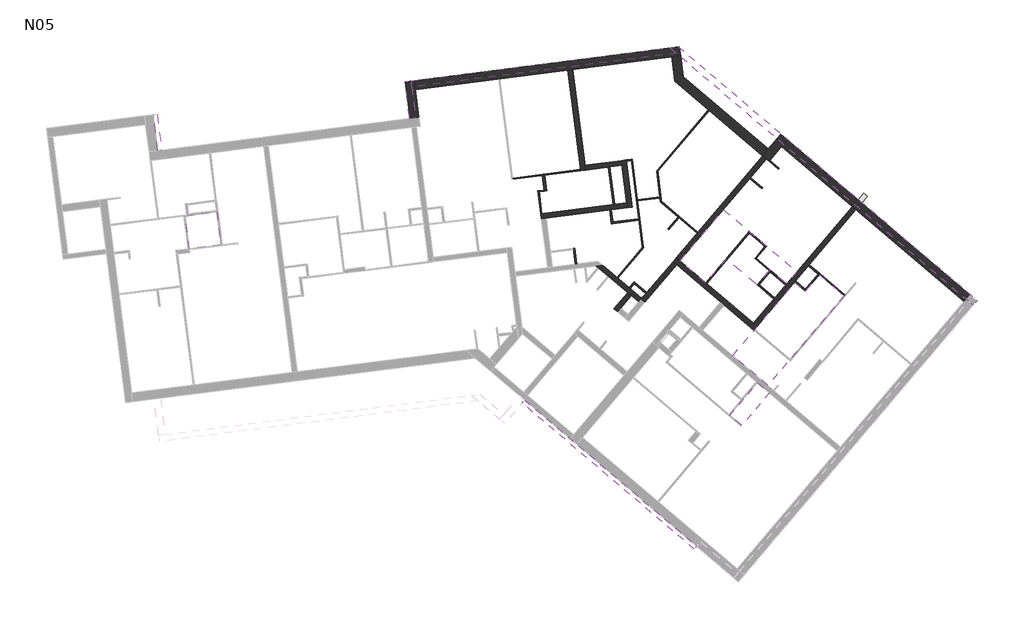
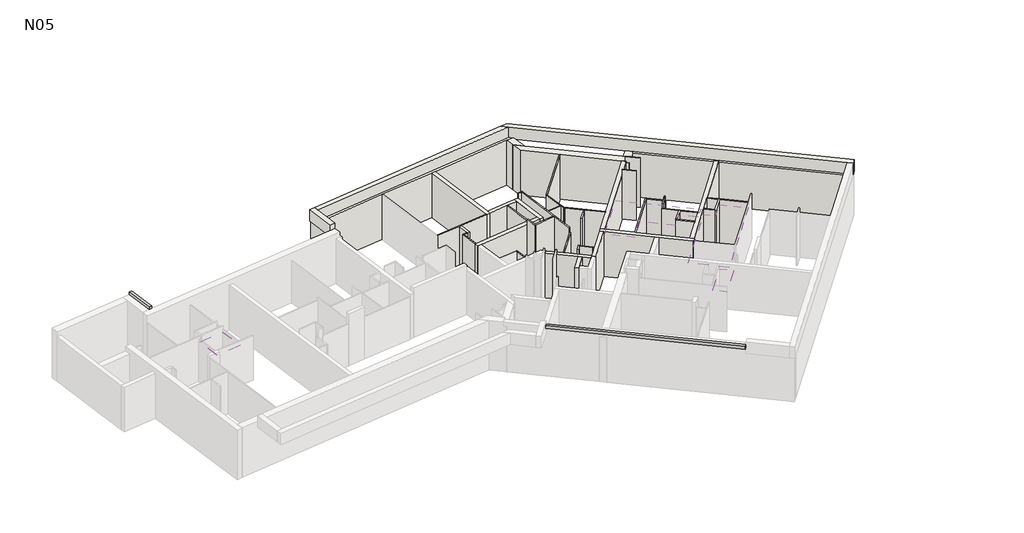
# One storey, part 3 of 3: 51 walls, 4 coverings, 2 proxies.
"""IFC4 building model written with IfcOpenShell, lengths in millimetres."""

from ifc_helpers import new_model, si_unit, frame, origin, place, context, project, spatial, polyline, outline, extrude, faceted_brep, element, save

model = new_model("IFC4")

# Units and contexts
model_context = context("Model", 3, world=origin())
ifc_project = project(units=[si_unit("LENGTHUNIT", "METRE", prefix="MILLI")], contexts=[model_context])

# Site, building, storey
site = spatial("IfcSite", under=ifc_project)
building = spatial("IfcBuilding", under=site)
storey = spatial("IfcBuildingStorey", under=building, Name="N05", Elevation=14150.0)

# Proxies
placement = place(None, origin())
element("IfcBuildingElementProxy", 1, Name="Wall Sweeps", at=placement, inside=storey, context=model_context, shape_type="SweptSolid", body=[
    extrude(outline(polyline([(-6737.9322376, 22406.9020151), (-6889.1025532, 22387.5811542), (-7079.2685073, 23875.4779617), (-6928.0981917, 23894.7988226), (-6737.9322376, 22406.9020151)])), frame((0.0, 0.0, 16910.0), z_axis=(0.0, 0.0, 1.0), x_axis=(1.0, 0.0, 0.0)), (0.0, 0.0, 1.0), 152.4),
])
element("IfcBuildingElementProxy", 2, Name="Wall Sweeps", at=placement, inside=storey, context=model_context, shape_type="Brep", body=[
    faceted_brep([(15159.4243487, 6016.2539808, 17062.4), (15159.4243487, 6016.2539808, 16910.0), (15245.0964323, 6117.1997787, 16910.0), (15258.0378346, 6132.4483886, 16910.0), (15258.0378346, 6132.4483886, 17062.4), (15245.0964323, 6117.1997787, 17062.4), (8078.8838858, 12025.4655285, 16910.0), (8078.8838858, 12025.4655285, 17062.4), (8177.4973717, 12141.6599362, 17062.4), (8177.4973717, 12141.6599362, 16910.0)], [[[0, 1, 2, 3, 4, 5]], [[6, 7, 8, 9]], [[1, 0, 7, 6]], [[4, 3, 9, 8]], [[8, 7, 0, 5, 4]], [[6, 9, 3, 2, 1]]]),
])

# Coverings
element("IfcCovering", 3, at=placement, inside=storey, context=model_context, shape_type="SweptSolid", body=[
    extrude(outline(polyline([(19719.9882409, 16605.1785004), (20302.3513466, 17291.3659479), (21313.7639188, 16432.9862606), (18181.9445507, 12742.8226538), (16732.2620049, 13973.1593972), (19281.7182674, 16977.1355565), (19719.9882409, 16605.1785004)])), frame((0.0, 0.0, 16350.0), z_axis=(0.0, 0.0, 1.0), x_axis=(1.0, 0.0, 0.0)), (0.0, 0.0, 1.0), 200.0),
])
element("IfcCovering", 4, at=placement, inside=storey, context=model_context, shape_type="SweptSolid", body=[
    extrude(outline(polyline([(14568.8269155, 17868.4576674), (16354.7404395, 19972.7658399), (19373.5811918, 17410.6940879), (18952.9856155, 16915.1142647), (18266.7981679, 17497.4773703), (17736.2006717, 16872.2843625), (16462.9417412, 17952.8914586), (15628.2212898, 16969.3561171), (14568.8269155, 17868.4576674)])), frame((0.0, 0.0, 16350.0), z_axis=(0.0, 0.0, 1.0), x_axis=(1.0, 0.0, 0.0)), (0.0, 0.0, 1.0), 200.0),
])
element("IfcCovering", 5, at=placement, inside=storey, context=model_context, shape_type="SweptSolid", body=[
    extrude(outline(polyline([(-5598.5130803, 18363.3918839), (-5770.3389689, 19707.7923171), (-4470.909199, 19873.8705698), (-4299.0833104, 18529.4701366), (-5598.5130803, 18363.3918839)])), frame((0.0, 0.0, 16350.0), z_axis=(0.0, 0.0, 1.0), x_axis=(1.0, 0.0, 0.0)), (0.0, 0.0, 1.0), 200.0),
])
element("IfcCovering", 6, at=placement, inside=storey, context=model_context, shape_type="SweptSolid", body=[
    extrude(outline(polyline([(17744.9928938, 12851.3418699), (18240.572717, 12430.7462936), (17115.3749706, 11104.947042), (16619.7951473, 11525.5426183), (17744.9928938, 12851.3418699)])), frame((0.0, 0.0, 16350.0), z_axis=(0.0, 0.0, 1.0), x_axis=(1.0, 0.0, 0.0)), (0.0, 0.0, 1.0), 200.0),
])

# Walls
element("IfcWall", 7, at=placement, inside=storey, context=model_context, shape_type="Brep", body=[
    faceted_brep([(17733.6830661, 15169.3475869, 14150.0), (17581.1969666, 15298.7616104, 14150.0), (15659.8721135, 16929.3783062, 14150.0), (15621.7505886, 16961.7318121, 14150.0), (14562.3562143, 17860.8333624, 14150.0), (14409.8701149, 17990.2473859, 14150.0), (14409.8701149, 17990.2473859, 16650.0), (14562.3562143, 17860.8333624, 16650.0), (15621.7505886, 16961.7318121, 16650.0), (15659.8721135, 16929.3783062, 16650.0), (17581.1969666, 15298.7616104, 16650.0), (17733.6830661, 15169.3475869, 16650.0), (17604.2690426, 15016.8614875, 14150.0), (17604.2690426, 15016.8614875, 16650.0), (16389.6038364, 16047.7404468, 16650.0), (16237.1177369, 16177.1544703, 16650.0), (14432.9421908, 17708.347263, 16650.0), (14280.4560914, 17837.7612865, 16650.0), (14280.4560914, 17837.7612865, 14150.0), (14432.9421908, 17708.347263, 14150.0), (16237.1177369, 16177.1544703, 14150.0), (16389.6038364, 16047.7404468, 14150.0), (17636.6225485, 15054.9830123, 16650.0)], [[[0, 1, 2, 3, 4, 5, 6, 7, 8, 9, 10, 11]], [[12, 13, 14, 15, 16, 17, 18, 19, 20, 21]], [[5, 4, 3, 2, 1, 0, 12, 21, 20, 19, 18]], [[11, 10, 9, 8, 7, 6, 17, 16, 15, 14, 13, 22]], [[0, 11, 22, 13, 12]], [[6, 5, 18, 17]]]),
])
element("IfcWall", 8, at=placement, inside=storey, context=model_context, shape_type="Brep", body=[
    faceted_brep([(3709.6823725, 23742.1966341, 17230.0), (3709.6823725, 23742.1966341, 16920.0), (3709.6823725, 23742.1966341, 16590.0), (3547.407425, 25011.8685766, 16590.0), (3514.4453263, 25269.7706899, 16590.0), (3514.4453263, 25269.7706899, 17230.0), (3547.407425, 25011.8685766, 17230.0), (3451.7802592, 23709.2345354, 16590.0), (3451.7802592, 23709.2345354, 17230.0), (3256.5432129, 25236.8085911, 17230.0), (3256.5432129, 25236.8085911, 16590.0)], [[[0, 1, 2, 3, 4, 5, 6]], [[7, 8, 9, 10]], [[4, 3, 2, 7, 10]], [[0, 6, 5, 9, 8]], [[5, 4, 10, 9]], [[0, 8, 7, 2, 1]]]),
])
element("IfcWall", 9, at=placement, inside=storey, context=model_context, shape_type="Brep", body=[
    faceted_brep([(14142.9038734, 26628.1787128, 16590.0), (14411.326084, 26400.3704182, 16590.0), (26427.4789287, 16202.3347159, 16590.0), (26625.710858, 16034.0964854, 16590.0), (26625.710858, 16034.0964854, 17230.0), (26427.4789287, 16202.3347159, 17230.0), (14411.326084, 26400.3704182, 17230.0), (14142.9038734, 26628.1787128, 17230.0), (14492.124383, 26672.8120846, 16590.0), (14492.124383, 26672.8120846, 17230.0), (26793.9490885, 16232.3284147, 17230.0), (26793.9490885, 16232.3284147, 16590.0)], [[[0, 1, 2, 3, 4, 5, 6, 7]], [[8, 9, 10, 11]], [[3, 2, 1, 0, 8, 11]], [[7, 6, 5, 4, 10, 9]], [[4, 3, 11, 10]], [[0, 7, 9, 8]]]),
])
element("IfcWall", 10, at=placement, inside=storey, context=model_context, shape_type="Brep", body=[
    faceted_brep([(3692.839531, 24899.3985693, 14150.0), (7115.0021883, 25336.7802638, 14150.0), (7164.5987486, 25343.1191289, 14150.0), (9961.8447468, 25700.6311227, 14150.0), (10160.2309878, 25725.9865832, 14150.0), (14226.227541, 26245.6557633, 14150.0), (14593.2420868, 26292.5633654, 14150.0), (14593.2420868, 26292.5633654, 16650.0), (14226.227541, 26245.6557633, 16650.0), (10160.2309878, 25725.9865832, 16650.0), (9961.8447468, 25700.6311227, 16650.0), (7164.5987486, 25343.1191289, 16650.0), (7115.0021883, 25336.7802638, 16650.0), (3692.839531, 24899.3985693, 16650.0), (14546.3344848, 26659.5779112, 14150.0), (3645.931929, 25266.4131151, 14150.0), (3645.931929, 25266.4131151, 16590.0), (3645.931929, 25266.4131151, 16650.0), (14546.3344848, 26659.5779112, 16650.0)], [[[0, 1, 2, 3, 4, 5, 6, 7, 8, 9, 10, 11, 12, 13]], [[14, 15, 16, 17, 18]], [[6, 5, 4, 3, 2, 1, 0, 15, 14]], [[13, 12, 11, 10, 9, 8, 7, 18, 17]], [[7, 6, 14, 18]], [[0, 13, 17, 16, 15]]]),
])
element("IfcWall", 11, at=placement, inside=storey, context=model_context, shape_type="Brep", body=[
    faceted_brep([(17733.6830661, 15169.3475869, 14150.0), (19273.7099455, 16983.9321705, 14150.0), (19319.0048537, 17037.3023053, 14150.0), (19843.1316488, 17654.8710081, 14150.0), (19888.426557, 17708.2411429, 14150.0), (21799.2740497, 19959.7566509, 14150.0), (21799.2740497, 19959.7566509, 16650.0), (19888.426557, 17708.2411429, 16650.0), (19843.1316488, 17654.8710081, 16650.0), (19319.0048537, 17037.3023053, 16650.0), (19273.7099455, 16983.9321705, 16650.0), (17733.6830661, 15169.3475869, 16650.0), (17581.1969666, 15298.7616104, 14150.0), (17581.1969666, 15298.7616104, 16650.0), (18422.3881192, 16289.9212569, 16650.0), (18467.6830274, 16343.2913917, 16650.0), (18907.6907073, 16861.7441298, 16650.0), (18952.9856155, 16915.1142647, 16650.0), (21646.7879502, 20089.1706744, 16650.0), (21646.7879502, 20089.1706744, 14150.0), (18952.9856155, 16915.1142647, 14150.0), (18907.6907073, 16861.7441298, 14150.0), (18467.6830274, 16343.2913917, 14150.0), (18422.3881192, 16289.9212569, 14150.0)], [[[0, 1, 2, 3, 4, 5, 6, 7, 8, 9, 10, 11]], [[12, 13, 14, 15, 16, 17, 18, 19, 20, 21, 22, 23]], [[5, 4, 3, 2, 1, 0, 12, 23, 22, 21, 20, 19]], [[11, 10, 9, 8, 7, 6, 18, 17, 16, 15, 14, 13]], [[0, 11, 13, 12]], [[6, 5, 19, 18]]]),
])
element("IfcWall", 12, at=placement, inside=storey, context=model_context, shape_type="Brep", body=[
    faceted_brep([(3838.6334292, 23758.6776835, 14150.0), (3692.839531, 24899.3985693, 14150.0), (3648.467475, 25246.574491, 14150.0), (3645.931929, 25266.4131151, 14150.0), (3645.931929, 25266.4131151, 16590.0), (3838.6334292, 23758.6776835, 16590.0), (3471.6188833, 23711.7700815, 14150.0), (3471.6188833, 23711.7700815, 16590.0), (3278.9173831, 25219.5055131, 16590.0), (3278.9173831, 25219.5055131, 14150.0), (3281.4529292, 25199.666889, 14150.0), (3709.6823725, 23742.1966341, 16590.0)], [[[0, 1, 2, 3, 4, 5]], [[6, 7, 8, 9, 10]], [[3, 2, 1, 0, 6, 10, 9]], [[5, 4, 8, 7, 11]], [[0, 5, 11, 7, 6]], [[4, 3, 9, 8]]]),
])
element("IfcWall", 13, at=placement, inside=storey, context=model_context, shape_type="Brep", body=[
    faceted_brep([(14354.3774857, 25242.9847305, 14150.0), (17949.4956511, 22191.8298493, 14150.0), (17949.4956511, 22191.8298493, 16590.0), (18090.5452931, 22072.1218776, 16590.0), (18090.5452931, 22072.1218776, 16650.0), (17964.7442611, 22178.888447, 16650.0), (14354.3774857, 25242.9847305, 16650.0), (14284.8069051, 25787.3189947, 14150.0), (14284.8069051, 25787.3189947, 16650.0), (14703.199876, 25432.2314297, 16650.0), (18329.9612366, 22354.2211616, 16650.0), (18329.9612366, 22354.2211616, 16590.0), (18188.9115946, 22473.9291333, 16590.0), (18188.9115946, 22473.9291333, 14150.0), (14703.199876, 25432.2314297, 14150.0), (18122.898799, 22110.2434025, 16590.0)], [[[0, 1, 2, 3, 4, 5, 6]], [[7, 8, 9, 10, 11, 12, 13, 14]], [[1, 0, 7, 14, 13]], [[6, 5, 4, 10, 9, 8]], [[0, 6, 8, 7]], [[4, 3, 15, 11, 10]], [[11, 15, 3, 2, 12]], [[2, 1, 13, 12]]]),
])
element("IfcWall", 14, at=placement, inside=storey, context=model_context, shape_type="Brep", body=[
    faceted_brep([(18231.5949351, 21952.4139059, 14150.0), (18263.948441, 21990.5354308, 14150.0), (18742.3117725, 22554.1819088, 14150.0), (18981.7277159, 22836.2811928, 14150.0), (18981.7277159, 22836.2811928, 16590.0), (18742.3117725, 22554.1819088, 16590.0), (18263.948441, 21990.5354308, 16590.0), (18231.5949351, 21952.4139059, 16590.0), (17949.4956511, 22191.8298493, 14150.0), (17949.4956511, 22191.8298493, 16590.0), (18188.9115946, 22473.9291333, 16590.0), (18699.6284319, 23075.6971362, 16590.0), (18699.6284319, 23075.6971362, 14150.0), (18188.9115946, 22473.9291333, 14150.0), (18090.5452931, 22072.1218776, 16590.0)], [[[0, 1, 2, 3, 4, 5, 6, 7]], [[8, 9, 10, 11, 12, 13]], [[3, 2, 1, 0, 8, 13, 12]], [[7, 6, 5, 4, 11, 10, 9, 14]], [[4, 3, 12, 11]], [[0, 7, 14, 9, 8]]]),
])
element("IfcWall", 15, at=placement, inside=storey, context=model_context, shape_type="Brep", body=[
    faceted_brep([(17964.7442611, 22178.888447, 14150.0), (14409.8701149, 17990.2473859, 14150.0), (14409.8701149, 17990.2473859, 16650.0), (17964.7442611, 22178.888447, 16650.0), (18117.2303605, 22049.4744235, 14150.0), (18117.2303605, 22049.4744235, 16650.0), (14562.3562143, 17860.8333624, 16650.0), (14562.3562143, 17860.8333624, 14150.0), (17437.8067373, 21248.9224014, 14150.0), (17470.1602431, 21287.0439262, 14150.0), (18090.5452931, 22072.1218776, 16650.0)], [[[0, 1, 2, 3]], [[4, 5, 6, 7, 8, 9]], [[1, 0, 4, 9, 8, 7]], [[3, 2, 6, 5, 10]], [[2, 1, 7, 6]], [[0, 3, 10, 5, 4]]]),
])
element("IfcWall", 16, at=placement, inside=storey, context=model_context, shape_type="Brep", body=[
    faceted_brep([(12157.3233717, 21986.2629013, 14150.0), (12182.6788322, 21787.8766603, 14150.0), (12379.5369845, 20247.618744, 14150.0), (12404.892445, 20049.232503, 14150.0), (12404.892445, 20049.232503, 16650.0), (12379.5369845, 20247.618744, 16650.0), (12182.6788322, 21787.8766603, 16650.0), (12157.3233717, 21986.2629013, 16650.0), (12355.7096127, 22011.6183619, 14150.0), (12355.7096127, 22011.6183619, 16650.0), (12603.278686, 20074.5879636, 16650.0), (12603.278686, 20074.5879636, 14150.0)], [[[0, 1, 2, 3, 4, 5, 6, 7]], [[8, 9, 10, 11]], [[3, 2, 1, 0, 8, 11]], [[7, 6, 5, 4, 10, 9]], [[0, 7, 9, 8]], [[4, 3, 11, 10]]]),
])
element("IfcWall", 17, at=placement, inside=storey, context=model_context, shape_type="Brep", body=[
    faceted_brep([(8868.6576991, 19597.2714187, 14150.0), (9067.0439401, 19622.6268793, 14150.0), (11673.0505062, 19955.6968359, 14150.0), (11742.4856906, 19964.5712471, 14150.0), (12404.892445, 20049.232503, 14150.0), (12404.892445, 20049.232503, 16650.0), (9067.0439401, 19622.6268793, 16650.0), (8868.6576991, 19597.2714187, 16650.0), (8843.3022386, 19795.6576597, 14150.0), (8843.3022386, 19795.6576597, 16650.0), (8892.8987988, 19801.9965248, 16650.0), (11814.1361976, 20175.3556815, 16650.0), (11883.571382, 20184.2300927, 16650.0), (12379.5369845, 20247.618744, 16650.0), (12379.5369845, 20247.618744, 14150.0), (11883.571382, 20184.2300927, 14150.0), (11814.1361976, 20175.3556815, 14150.0), (8892.8987988, 19801.9965248, 14150.0)], [[[0, 1, 2, 3, 4, 5, 6, 7]], [[8, 9, 10, 11, 12, 13, 14, 15, 16, 17]], [[4, 3, 2, 1, 0, 8, 17, 16, 15, 14]], [[7, 6, 5, 13, 12, 11, 10, 9]], [[5, 4, 14, 13]], [[0, 7, 9, 8]]]),
])
element("IfcWall", 18, at=placement, inside=storey, context=model_context, shape_type="Brep", body=[
    faceted_brep([(10687.971253, 21596.8402312, 14150.0), (11617.2780454, 21715.6135977, 14150.0), (11686.7132297, 21724.4880089, 14150.0), (12182.6788322, 21787.8766603, 14150.0), (12182.6788322, 21787.8766603, 16650.0), (11686.7132297, 21724.4880089, 16650.0), (11617.2780454, 21715.6135977, 16650.0), (10687.971253, 21596.8402312, 16650.0), (10662.6157924, 21795.2264722, 14150.0), (10662.6157924, 21795.2264722, 16650.0), (12157.3233717, 21986.2629013, 16650.0), (12157.3233717, 21986.2629013, 14150.0)], [[[0, 1, 2, 3, 4, 5, 6, 7]], [[8, 9, 10, 11]], [[3, 2, 1, 0, 8, 11]], [[7, 6, 5, 4, 10, 9]], [[4, 3, 11, 10]], [[0, 7, 9, 8]]]),
])
element("IfcWall", 19, at=placement, inside=storey, context=model_context, shape_type="Brep", body=[
    faceted_brep([(10687.971253, 21596.8402312, 14150.0), (10160.2309878, 25725.9865832, 14150.0), (10160.2309878, 25725.9865832, 16650.0), (10687.971253, 21596.8402312, 16650.0), (10489.585012, 21571.4847707, 14150.0), (10489.585012, 21571.4847707, 16650.0), (10483.2461468, 21621.0813309, 16650.0), (9961.8447468, 25700.6311227, 16650.0), (9961.8447468, 25700.6311227, 14150.0), (10483.2461468, 21621.0813309, 14150.0)], [[[0, 1, 2, 3]], [[4, 5, 6, 7, 8, 9]], [[1, 0, 4, 9, 8]], [[3, 2, 7, 6, 5]], [[0, 3, 5, 4]], [[2, 1, 8, 7]]]),
])
element("IfcWall", 20, at=placement, inside=storey, context=model_context, shape_type="SweptSolid", body=[
    extrude(outline(polyline([(14284.8069051, 25787.3189947), (14226.227541, 26245.6557633), (14593.2420868, 26292.5633654), (14703.199876, 25432.2314297), (14284.8069051, 25787.3189947)])), frame((0.0, 0.0, 14150.0), z_axis=(0.0, 0.0, 1.0), x_axis=(1.0, 0.0, 0.0)), (0.0, 0.0, 1.0), 2500.0),
])
element("IfcWall", 21, at=placement, inside=storey, context=model_context, shape_type="SweptSolid", body=[
    extrude(outline(polyline([(3514.4453263, 25269.7706899), (14142.9038734, 26628.1787128), (14411.326084, 26400.3704182), (3547.407425, 25011.8685766), (3514.4453263, 25269.7706899)])), frame((0.0, 0.0, 16590.0), z_axis=(0.0, 0.0, 1.0), x_axis=(1.0, 0.0, 0.0)), (0.0, 0.0, 1.0), 640.0),
])
element("IfcWall", 22, at=placement, inside=storey, context=model_context, shape_type="Brep", body=[
    faceted_brep([(21799.2740497, 19959.7566509, 14150.0), (26244.2438488, 16187.3378665, 14150.0), (26244.2438488, 16187.3378665, 16590.0), (21799.2740497, 19959.7566509, 16590.0), (21646.7879502, 20089.1706744, 16590.0), (18742.3117725, 22554.1819088, 16590.0), (18742.3117725, 22554.1819088, 14150.0), (21646.7879502, 20089.1706744, 14150.0), (18981.7277159, 22836.2811928, 16590.0), (26483.6597922, 16469.4371505, 16590.0), (26483.6597922, 16469.4371505, 14460.0), (22244.9302443, 20066.8210904, 14460.0), (22244.9302443, 20066.8210904, 14150.0), (22038.6899931, 20241.8559349, 14150.0), (21886.2038936, 20371.2699584, 14150.0), (18981.7277159, 22836.2811928, 14150.0), (22235.2241925, 20055.3846329, 14150.0), (26473.9537405, 16458.0006931, 14150.0), (26473.9537405, 16458.0006931, 14460.0), (22235.2241925, 20055.3846329, 14460.0)], [[[0, 1, 2, 3, 4, 5, 6, 7]], [[8, 9, 10, 11, 12, 13, 14, 15]], [[1, 0, 7, 6, 15, 14, 13, 12, 16, 17]], [[9, 8, 5, 4, 3, 2]], [[2, 1, 17, 18, 10, 9]], [[6, 5, 8, 15]], [[16, 19, 18, 17]], [[18, 19, 11, 10]], [[19, 16, 12, 11]]]),
])
element("IfcWall", 23, at=placement, inside=storey, context=model_context, shape_type="Brep", body=[
    faceted_brep([(12000.6753302, 15769.7097053, 14150.0), (12130.0893537, 15922.1958047, 14150.0), (12563.6263324, 16433.0242379, 14150.0), (12563.6263324, 16433.0242379, 16650.0), (12130.0893537, 15922.1958047, 16650.0), (12000.6753302, 15769.7097053, 16650.0), (11848.1892308, 15899.1237288, 14150.0), (11848.1892308, 15899.1237288, 16650.0), (12411.1402329, 16562.4382614, 16650.0), (12411.1402329, 16562.4382614, 14150.0)], [[[0, 1, 2, 3, 4, 5]], [[6, 7, 8, 9]], [[2, 1, 0, 6, 9]], [[5, 4, 3, 8, 7]], [[0, 5, 7, 6]], [[3, 2, 9, 8]]]),
])
element("IfcWall", 24, at=placement, inside=storey, context=model_context, shape_type="SweptSolid", body=[
    extrude(outline(polyline([(14432.9421908, 17708.347263), (13114.9097978, 16155.3345896), (12962.4236983, 16284.7486131), (14280.4560914, 17837.7612865), (14432.9421908, 17708.347263)])), frame((0.0, 0.0, 14150.0), z_axis=(0.0, 0.0, 1.0), x_axis=(1.0, 0.0, 0.0)), (0.0, 0.0, 1.0), 2500.0),
])
element("IfcWall", 25, at=placement, inside=storey, context=model_context, shape_type="Brep", body=[
    faceted_brep([(12998.0125548, 16326.6822904, 14150.0), (12527.7109629, 16725.8243858, 14150.0), (12474.340828, 16771.119294, 14150.0), (12016.8825297, 17159.3613645, 14150.0), (11978.7610048, 17191.7148703, 14150.0), (11400.1695853, 17682.7618826, 14150.0), (11400.1695853, 17682.7618826, 16650.0), (11978.7610048, 17191.7148703, 16650.0), (12016.8825297, 17159.3613645, 16650.0), (12998.0125548, 16326.6822904, 16650.0), (12868.5985313, 16174.196191, 14150.0), (12868.5985313, 16174.196191, 16650.0), (12563.6263324, 16433.0242379, 16650.0), (12411.1402329, 16562.4382614, 16650.0), (11131.5384241, 17648.4285197, 16650.0), (11131.5384241, 17648.4285197, 14150.0), (11191.2514373, 17597.7504492, 14150.0), (11229.3729621, 17565.3969433, 14150.0), (11610.5882108, 17241.8618846, 14150.0), (11648.7097356, 17209.5083788, 14150.0), (12411.1402329, 16562.4382614, 14150.0), (12563.6263324, 16433.0242379, 14150.0)], [[[0, 1, 2, 3, 4, 5, 6, 7, 8, 9]], [[10, 11, 12, 13, 14, 15, 16, 17, 18, 19, 20, 21]], [[5, 4, 3, 2, 1, 0, 10, 21, 20, 19, 18, 17, 16, 15]], [[9, 8, 7, 6, 14, 13, 12, 11]], [[0, 9, 11, 10]], [[6, 5, 15, 14]]]),
])
element("IfcWall", 26, at=placement, inside=storey, context=model_context, shape_type="SweptSolid", body=[
    extrude(outline(polyline([(22268.3998848, 20512.5187614), (22038.6899931, 20241.8559349), (21886.2038936, 20371.2699584), (22115.9137853, 20641.9327849), (22268.3998848, 20512.5187614)])), frame((0.0, 0.0, 14150.0), z_axis=(0.0, 0.0, 1.0), x_axis=(1.0, 0.0, 0.0)), (0.0, 0.0, 1.0), 1170.0),
])
element("IfcWall", 27, ObjectType="CLO 10", at=placement, inside=storey, context=model_context, shape_type="Brep", body=[
    faceted_brep([(8914.2655117, 21370.1454477, 14150.0), (8990.3318933, 20774.9867247, 14150.0), (8996.6707585, 20725.3901645, 14150.0), (8996.6707585, 20725.3901645, 16650.0), (8990.3318933, 20774.9867247, 16650.0), (8914.2655117, 21370.1454477, 16650.0), (9013.4586322, 21382.823178, 14150.0), (9013.4586322, 21382.823178, 16650.0), (9095.863879, 20738.0678947, 16650.0), (9095.863879, 20738.0678947, 14150.0)], [[[0, 1, 2, 3, 4, 5]], [[6, 7, 8, 9]], [[2, 1, 0, 6, 9]], [[5, 4, 3, 8, 7]], [[0, 5, 7, 6]], [[3, 2, 9, 8]]]),
])
element("IfcWall", 28, ObjectType="CLO 5", at=placement, inside=storey, context=model_context, shape_type="Brep", body=[
    faceted_brep([(7692.3390138, 21213.9727769, 14150.0), (8914.2655117, 21370.1454477, 14150.0), (9013.4586322, 21382.823178, 14150.0), (10489.585012, 21571.4847707, 14150.0), (10489.585012, 21571.4847707, 16650.0), (9013.4586322, 21382.823178, 16650.0), (8914.2655117, 21370.1454477, 16650.0), (7692.3390138, 21213.9727769, 16650.0), (7686.0001486, 21263.5693371, 14150.0), (7686.0001486, 21263.5693371, 16650.0), (10483.2461468, 21621.0813309, 16650.0), (10483.2461468, 21621.0813309, 14150.0)], [[[0, 1, 2, 3, 4, 5, 6, 7]], [[8, 9, 10, 11]], [[3, 2, 1, 0, 8, 11]], [[7, 6, 5, 4, 10, 9]], [[0, 7, 9, 8]], [[4, 3, 11, 10]]]),
])
element("IfcWall", 29, ObjectType="CLO 5", at=placement, inside=storey, context=model_context, shape_type="Brep", body=[
    faceted_brep([(8892.8987988, 19801.9965248, 14150.0), (8778.4458934, 20697.4991578, 14150.0), (8772.1070282, 20747.0957181, 14150.0), (8772.1070282, 20747.0957181, 16650.0), (8778.4458934, 20697.4991578, 16650.0), (8892.8987988, 19801.9965248, 16650.0), (8843.3022386, 19795.6576597, 14150.0), (8843.3022386, 19795.6576597, 16650.0), (8722.510468, 20740.756853, 16650.0), (8722.510468, 20740.756853, 14150.0)], [[[0, 1, 2, 3, 4, 5]], [[6, 7, 8, 9]], [[2, 1, 0, 6, 9]], [[5, 4, 3, 8, 7]], [[0, 5, 7, 6]], [[3, 2, 9, 8]]]),
])
element("IfcWall", 30, ObjectType="CLO 5", at=placement, inside=storey, context=model_context, shape_type="SweptSolid", body=[
    extrude(outline(polyline([(8996.6707585, 20725.3901645), (8778.4458934, 20697.4991578), (8772.1070282, 20747.0957181), (8990.3318933, 20774.9867247), (8996.6707585, 20725.3901645)])), frame((0.0, 0.0, 14150.0), z_axis=(0.0, 0.0, 1.0), x_axis=(1.0, 0.0, 0.0)), (0.0, 0.0, 1.0), 2500.0),
])
element("IfcWall", 31, ObjectType="CLO 5", at=placement, inside=storey, context=model_context, shape_type="Brep", body=[
    faceted_brep([(15659.8721135, 16929.3783062, 14150.0), (17419.9028328, 19003.1892588, 14150.0), (17452.2563386, 19041.3107837, 14150.0), (17452.2563386, 19041.3107837, 16650.0), (17419.9028328, 19003.1892588, 16650.0), (15659.8721135, 16929.3783062, 16650.0), (15621.7505886, 16961.7318121, 14150.0), (15621.7505886, 16961.7318121, 16650.0), (17414.1348138, 19073.6642896, 16650.0), (17414.1348138, 19073.6642896, 14150.0)], [[[0, 1, 2, 3, 4, 5]], [[6, 7, 8, 9]], [[2, 1, 0, 6, 9]], [[5, 4, 3, 8, 7]], [[3, 2, 9, 8]], [[0, 5, 7, 6]]]),
])
element("IfcWall", 32, ObjectType="CLO 5", at=placement, inside=storey, context=model_context, shape_type="Brep", body=[
    faceted_brep([(17419.9028328, 19003.1892588, 14150.0), (18060.3444505, 18459.6503602, 14150.0), (18098.4659753, 18427.2968544, 14150.0), (18098.4659753, 18427.2968544, 16650.0), (17419.9028328, 19003.1892588, 16650.0), (17452.2563386, 19041.3107837, 14150.0), (17452.2563386, 19041.3107837, 16650.0), (18130.8194812, 18465.4183792, 16650.0), (18130.8194812, 18465.4183792, 14150.0)], [[[0, 1, 2, 3, 4]], [[5, 6, 7, 8]], [[2, 1, 0, 5, 8]], [[4, 3, 7, 6]], [[3, 2, 8, 7]], [[0, 4, 6, 5]]]),
])
element("IfcWall", 33, ObjectType="CLO 5", at=placement, inside=storey, context=model_context, shape_type="Brep", body=[
    faceted_brep([(17710.2239049, 17969.838556, 14150.0), (18098.4659753, 18427.2968544, 14150.0), (18098.4659753, 18427.2968544, 16650.0), (18098.4659753, 18427.2968544, 16920.0), (17710.2239049, 17969.838556, 16920.0), (17672.10238, 18002.1920619, 14150.0), (17672.10238, 18002.1920619, 16650.0), (17672.10238, 18002.1920619, 16920.0), (18060.3444505, 18459.6503602, 16920.0), (18060.3444505, 18459.6503602, 14150.0)], [[[0, 1, 2, 3, 4]], [[5, 6, 7, 8, 9]], [[1, 0, 5, 9]], [[4, 3, 8, 7]], [[0, 4, 7, 6, 5]], [[3, 2, 1, 9, 8]]]),
])
element("IfcWall", 34, ObjectType="CLO 5", at=placement, inside=storey, context=model_context, shape_type="SweptSolid", body=[
    extrude(outline(polyline([(17933.3865605, 20828.326825), (17437.8067373, 21248.9224014), (17470.1602431, 21287.0439262), (17965.7400664, 20866.4483499), (17933.3865605, 20828.326825)])), frame((0.0, 0.0, 14150.0), z_axis=(0.0, 0.0, 1.0), x_axis=(1.0, 0.0, 0.0)), (0.0, 0.0, 1.0), 2770.0),
])
element("IfcWall", 35, ObjectType="CLO 5", at=placement, inside=storey, context=model_context, shape_type="Brep", body=[
    faceted_brep([(13822.3646096, 20238.26577, 14150.0), (13812.9631798, 20311.8244543, 14150.0), (13655.9306447, 21540.4787036, 14150.0), (13647.347304, 21607.6364939, 14150.0), (13647.347304, 21607.6364939, 16650.0), (13655.9306447, 21540.4787036, 16650.0), (13812.9631798, 20311.8244543, 16650.0), (13822.3646096, 20238.26577, 16650.0), (13765.8250189, 20286.2505761, 14150.0), (13765.8250189, 20286.2505761, 16650.0), (13745.5131684, 20445.1745944, 16650.0), (13739.1743033, 20494.7711547, 16650.0), (13603.5380166, 21556.0168381, 16650.0), (13603.5380166, 21556.0168381, 14150.0)], [[[0, 1, 2, 3, 4, 5, 6, 7]], [[8, 9, 10, 11, 12, 13]], [[3, 2, 1, 0, 8, 13]], [[7, 6, 5, 4, 12, 11, 10, 9]], [[0, 7, 9, 8]], [[4, 3, 13, 12]]]),
])
element("IfcWall", 36, ObjectType="CLO 5", at=placement, inside=storey, context=model_context, shape_type="Brep", body=[
    faceted_brep([(12016.8825297, 17159.3613645, 14150.0), (13069.3999687, 18399.5227826, 14150.0), (13069.3999687, 18399.5227826, 16650.0), (12016.8825297, 17159.3613645, 16650.0), (11978.7610048, 17191.7148703, 14150.0), (11978.7610048, 17191.7148703, 16650.0), (13060.816628, 18466.6805729, 16650.0), (13060.816628, 18466.6805729, 14150.0), (13017.0073405, 18415.060917, 14150.0)], [[[0, 1, 2, 3]], [[4, 5, 6, 7, 8]], [[1, 0, 4, 8, 7]], [[3, 2, 6, 5]], [[2, 1, 7, 6]], [[0, 3, 5, 4]]]),
])
element("IfcWall", 37, ObjectType="CLO 5", at=placement, inside=storey, context=model_context, shape_type="SweptSolid", body=[
    extrude(outline(polyline([(13647.347304, 21607.6364939), (15736.8651347, 24069.6758865), (15774.9866596, 24037.3223807), (13655.9306447, 21540.4787036), (13647.347304, 21607.6364939)])), frame((0.0, 0.0, 14150.0), z_axis=(0.0, 0.0, 1.0), x_axis=(1.0, 0.0, 0.0)), (0.0, 0.0, 1.0), 2500.0),
])
element("IfcWall", 38, ObjectType="CLO 5", at=placement, inside=storey, context=model_context, shape_type="Brep", body=[
    faceted_brep([(10183.8875266, 18377.6721345, 14150.0), (10190.2263918, 18328.0755742, 14150.0), (10265.4687365, 17739.3642827, 14150.0), (10265.4687365, 17739.3642827, 16650.0), (10190.2263918, 18328.0755742, 16650.0), (10183.8875266, 18377.6721345, 16650.0), (10233.4840869, 18384.0109996, 14150.0), (10233.4840869, 18384.0109996, 16650.0), (10315.0652967, 17745.7031479, 16650.0), (10315.0652967, 17745.7031479, 14150.0)], [[[0, 1, 2, 3, 4, 5]], [[6, 7, 8, 9]], [[2, 1, 0, 6, 9]], [[3, 2, 9, 8]], [[5, 4, 3, 8, 7]], [[0, 5, 7, 6]]]),
])
element("IfcWall", 39, ObjectType="CLO 5", at=placement, inside=storey, context=model_context, shape_type="SweptSolid", body=[
    extrude(outline(polyline([(12816.6782826, 20376.8682631), (13739.1743033, 20494.7711547), (13745.5131684, 20445.1745944), (12823.0171477, 20327.2717029), (12816.6782826, 20376.8682631)])), frame((0.0, 0.0, 14150.0), z_axis=(0.0, 0.0, 1.0), x_axis=(1.0, 0.0, 0.0)), (0.0, 0.0, 1.0), 2500.0),
])
element("IfcWall", 40, ObjectType="CLO 5", at=placement, inside=storey, context=model_context, shape_type="Brep", body=[
    faceted_brep([(14107.195985, 19143.9943912, 14150.0), (14527.7915613, 19639.5742144, 14150.0), (14527.7915613, 19639.5742144, 16650.0), (14107.195985, 19143.9943912, 16650.0), (14069.0744601, 19176.3478971, 14150.0), (14069.0744601, 19176.3478971, 16650.0), (14489.6700364, 19671.9277203, 16650.0), (14489.6700364, 19671.9277203, 16250.0), (14489.6700364, 19671.9277203, 14150.0)], [[[0, 1, 2, 3]], [[4, 5, 6, 7, 8]], [[1, 0, 4, 8]], [[3, 2, 6, 5]], [[0, 3, 5, 4]], [[2, 1, 8, 7, 6]]]),
])
element("IfcWall", 41, ObjectType="CLO 5", at=placement, inside=storey, context=model_context, shape_type="Brep", body=[
    faceted_brep([(15305.2860786, 19045.2991032, 14150.0), (13812.9631798, 20311.8244543, 14150.0), (13812.9631798, 20311.8244543, 16650.0), (15305.2860786, 19045.2991032, 16650.0), (15272.9325727, 19007.1775783, 14150.0), (15272.9325727, 19007.1775783, 16650.0), (14527.7915613, 19639.5742144, 16650.0), (14489.6700364, 19671.9277203, 16650.0), (13822.3646096, 20238.26577, 16650.0), (13822.3646096, 20238.26577, 16250.0), (13822.3646096, 20238.26577, 14150.0), (14489.6700364, 19671.9277203, 14150.0), (14527.7915613, 19639.5742144, 14150.0)], [[[0, 1, 2, 3]], [[4, 5, 6, 7, 8, 9, 10, 11, 12]], [[1, 0, 4, 12, 11, 10]], [[3, 2, 8, 7, 6, 5]], [[0, 3, 5, 4]], [[2, 1, 10, 9, 8]]]),
])
element("IfcWall", 42, ObjectType="CLO 5", at=placement, inside=storey, context=model_context, shape_type="Brep", body=[
    faceted_brep([(12554.0958537, 22036.9738224, 14150.0), (12560.4347188, 21987.3772622, 14150.0), (12865.0535784, 19603.9778216, 14150.0), (12873.9279896, 19534.5426373, 14150.0), (13017.0073405, 18415.060917, 14150.0), (13017.0073405, 18415.060917, 16920.0), (12873.9279896, 19534.5426373, 16920.0), (12865.0535784, 19603.9778216, 16920.0), (12560.4347188, 21987.3772622, 16920.0), (12554.0958537, 22036.9738224, 16920.0), (12603.6924139, 22043.3126876, 14150.0), (12603.6924139, 22043.3126876, 16920.0), (13060.816628, 18466.6805729, 16920.0), (13060.816628, 18466.6805729, 16650.0), (13060.816628, 18466.6805729, 14150.0)], [[[0, 1, 2, 3, 4, 5, 6, 7, 8, 9]], [[10, 11, 12, 13, 14]], [[4, 3, 2, 1, 0, 10, 14]], [[9, 8, 7, 6, 5, 12, 11]], [[5, 4, 14, 13, 12]], [[0, 9, 11, 10]]]),
])
element("IfcWall", 43, ObjectType="CLO 5", at=placement, inside=storey, context=model_context, shape_type="SweptSolid", body=[
    extrude(outline(polyline([(12560.4347188, 21987.3772622), (12362.0484778, 21962.0218016), (12355.7096127, 22011.6183619), (12554.0958537, 22036.9738224), (12560.4347188, 21987.3772622)])), frame((0.0, 0.0, 14150.0), z_axis=(0.0, 0.0, 1.0), x_axis=(1.0, 0.0, 0.0)), (0.0, 0.0, 1.0), 2770.0),
])
element("IfcWall", 44, ObjectType="CLO 5", at=placement, inside=storey, context=model_context, shape_type="Brep", body=[
    faceted_brep([(18266.7981679, 17497.4773703, 14150.0), (17710.2239049, 17969.838556, 14150.0), (17672.10238, 18002.1920619, 14150.0), (17672.10238, 18002.1920619, 16650.0), (18266.7981679, 17497.4773703, 16650.0), (18234.4446621, 17459.3558454, 14150.0), (18234.4446621, 17459.3558454, 16650.0), (17639.7488742, 17964.070537, 16650.0), (17639.7488742, 17964.070537, 14150.0)], [[[0, 1, 2, 3, 4]], [[5, 6, 7, 8]], [[2, 1, 0, 5, 8]], [[4, 3, 7, 6]], [[3, 2, 8, 7]], [[0, 4, 6, 5]]]),
])
element("IfcWall", 45, ObjectType="CLO 5", at=placement, inside=storey, context=model_context, shape_type="SweptSolid", body=[
    extrude(outline(polyline([(20334.7048524, 17329.4874728), (21346.1174247, 16471.1077855), (21313.7639188, 16432.9862606), (20302.3513466, 17291.3659479), (20334.7048524, 17329.4874728)])), frame((0.0, 0.0, 14150.0), z_axis=(0.0, 0.0, 1.0), x_axis=(1.0, 0.0, 0.0)), (0.0, 0.0, 1.0), 2500.0),
])
element("IfcWall", 46, ObjectType="CLO 5", at=placement, inside=storey, context=model_context, shape_type="Brep", body=[
    faceted_brep([(18231.5949351, 21952.4139059, 14150.0), (18612.8101838, 21628.8788472, 14150.0), (18612.8101838, 21628.8788472, 16920.0), (18090.5452931, 22072.1218776, 16920.0), (18090.5452931, 22072.1218776, 16650.0), (18090.5452931, 22072.1218776, 16590.0), (18231.5949351, 21952.4139059, 16590.0), (18263.948441, 21990.5354308, 14150.0), (18263.948441, 21990.5354308, 16590.0), (18122.898799, 22110.2434025, 16590.0), (18122.898799, 22110.2434025, 16920.0), (18645.1636896, 21667.0003721, 16920.0), (18645.1636896, 21667.0003721, 14150.0)], [[[0, 1, 2, 3, 4, 5, 6]], [[7, 8, 9, 10, 11, 12]], [[1, 0, 7, 12]], [[2, 1, 12, 11]], [[3, 2, 11, 10]], [[5, 4, 3, 10, 9]], [[5, 9, 8, 6]], [[0, 6, 8, 7]]]),
])
element("IfcWall", 47, ObjectType="CLO 7", at=placement, inside=storey, context=model_context, shape_type="SweptSolid", body=[
    extrude(outline(polyline([(11814.1361976, 20175.3556815), (11617.2780454, 21715.6135977), (11686.7132297, 21724.4880089), (11883.571382, 20184.2300927), (11814.1361976, 20175.3556815)])), frame((0.0, 0.0, 14150.0), z_axis=(0.0, 0.0, 1.0), x_axis=(1.0, 0.0, 0.0)), (0.0, 0.0, 1.0), 2500.0),
])
element("IfcWall", 48, ObjectType="CLO 7", at=placement, inside=storey, context=model_context, shape_type="Brep", body=[
    faceted_brep([(17834.8657147, 16880.3595891, 14150.0), (18274.8733945, 17398.8123273, 14150.0), (18320.1683027, 17452.1824621, 14150.0), (18320.1683027, 17452.1824621, 16650.0), (18274.8733945, 17398.8123273, 16650.0), (17834.8657147, 16880.3595891, 16650.0), (17781.4955799, 16925.6544973, 14150.0), (17781.4955799, 16925.6544973, 16650.0), (18234.4446621, 17459.3558454, 16650.0), (18266.7981679, 17497.4773703, 16650.0), (18266.7981679, 17497.4773703, 14150.0), (18234.4446621, 17459.3558454, 14150.0)], [[[0, 1, 2, 3, 4, 5]], [[6, 7, 8, 9, 10, 11]], [[2, 1, 0, 6, 11, 10]], [[5, 4, 3, 9, 8, 7]], [[0, 5, 7, 6]], [[3, 2, 10, 9]]]),
])
element("IfcWall", 49, ObjectType="CLO 7", at=placement, inside=storey, context=model_context, shape_type="Brep", body=[
    faceted_brep([(17736.2006717, 16872.2843625, 14150.0), (18422.3881192, 16289.9212569, 14150.0), (18422.3881192, 16289.9212569, 16650.0), (17736.2006717, 16872.2843625, 16650.0), (17781.4955799, 16925.6544973, 14150.0), (17781.4955799, 16925.6544973, 16650.0), (17834.8657147, 16880.3595891, 16650.0), (18467.6830274, 16343.2913917, 16650.0), (18467.6830274, 16343.2913917, 14150.0), (17834.8657147, 16880.3595891, 14150.0)], [[[0, 1, 2, 3]], [[4, 5, 6, 7, 8, 9]], [[1, 0, 4, 9, 8]], [[3, 2, 7, 6, 5]], [[0, 3, 5, 4]], [[2, 1, 8, 7]]]),
])
element("IfcWall", 50, ObjectType="CLO 7", at=placement, inside=storey, context=model_context, shape_type="SweptSolid", body=[
    extrude(outline(polyline([(18320.1683027, 17452.1824621), (18952.9856155, 16915.1142647), (18907.6907073, 16861.7441298), (18274.8733945, 17398.8123273), (18320.1683027, 17452.1824621)])), frame((0.0, 0.0, 14150.0), z_axis=(0.0, 0.0, 1.0), x_axis=(1.0, 0.0, 0.0)), (0.0, 0.0, 1.0), 2500.0),
])
element("IfcWall", 51, ObjectType="CLO 7", at=placement, inside=storey, context=model_context, shape_type="Brep", body=[
    faceted_brep([(12527.7109629, 16725.8243858, 14150.0), (12689.4784922, 16916.4320101, 14150.0), (12734.7734004, 16969.8021449, 14150.0), (12734.7734004, 16969.8021449, 16920.0), (12689.4784922, 16916.4320101, 16920.0), (12527.7109629, 16725.8243858, 16920.0), (12474.340828, 16771.119294, 14150.0), (12474.340828, 16771.119294, 16920.0), (12681.4032656, 17015.0970532, 16920.0), (12681.4032656, 17015.0970532, 14150.0)], [[[0, 1, 2, 3, 4, 5]], [[6, 7, 8, 9]], [[2, 1, 0, 6, 9]], [[5, 4, 3, 8, 7]], [[3, 2, 9, 8]], [[0, 5, 7, 6]]]),
])
element("IfcWall", 52, ObjectType="CLO 7", at=placement, inside=storey, context=model_context, shape_type="SweptSolid", body=[
    extrude(outline(polyline([(12734.7734004, 16969.8021449), (13205.0749923, 16570.6600495), (13159.7800841, 16517.2899147), (12689.4784922, 16916.4320101), (12734.7734004, 16969.8021449)])), frame((0.0, 0.0, 14150.0), z_axis=(0.0, 0.0, 1.0), x_axis=(1.0, 0.0, 0.0)), (0.0, 0.0, 1.0), 2770.0),
])
element("IfcWall", 53, ObjectType="CLO 7", at=placement, inside=storey, context=model_context, shape_type="Brep", body=[
    faceted_brep([(11673.0505062, 19955.6968359, 14150.0), (11745.3135688, 19390.296049, 14150.0), (11745.3135688, 19390.296049, 16920.0), (11673.0505062, 19955.6968359, 16920.0), (11742.4856906, 19964.5712471, 14150.0), (11742.4856906, 19964.5712471, 16920.0), (11805.874342, 19468.6056445, 16920.0), (11814.7487532, 19399.1704602, 16920.0), (11814.7487532, 19399.1704602, 14150.0), (11805.874342, 19468.6056445, 14150.0)], [[[0, 1, 2, 3]], [[4, 5, 6, 7, 8, 9]], [[1, 0, 4, 9, 8]], [[3, 2, 7, 6, 5]], [[0, 3, 5, 4]], [[2, 1, 8, 7]]]),
])
element("IfcWall", 54, ObjectType="CLO 7", at=placement, inside=storey, context=model_context, shape_type="SweptSolid", body=[
    extrude(outline(polyline([(12873.9279896, 19534.5426373), (11814.7487532, 19399.1704602), (11805.874342, 19468.6056445), (12865.0535784, 19603.9778216), (12873.9279896, 19534.5426373)])), frame((0.0, 0.0, 14150.0), z_axis=(0.0, 0.0, 1.0), x_axis=(1.0, 0.0, 0.0)), (0.0, 0.0, 1.0), 2770.0),
])
element("IfcWall", 55, ObjectType="CLO 7", at=placement, inside=storey, context=model_context, shape_type="Brep", body=[
    faceted_brep([(20281.3347176, 17374.782381, 14150.0), (20236.0398094, 17321.4122462, 14150.0), (19711.9130143, 16703.8435434, 14150.0), (19666.6181061, 16650.4734086, 14150.0), (19666.6181061, 16650.4734086, 16650.0), (19711.9130143, 16703.8435434, 16650.0), (20236.0398094, 17321.4122462, 16650.0), (20281.3347176, 17374.782381, 16650.0), (20334.7048524, 17329.4874728, 14150.0), (20334.7048524, 17329.4874728, 16650.0), (20302.3513466, 17291.3659479, 16650.0), (19719.9882409, 16605.1785004, 16650.0), (19719.9882409, 16605.1785004, 14150.0), (20302.3513466, 17291.3659479, 14150.0)], [[[0, 1, 2, 3, 4, 5, 6, 7]], [[8, 9, 10, 11, 12, 13]], [[3, 2, 1, 0, 8, 13, 12]], [[7, 6, 5, 4, 11, 10, 9]], [[0, 7, 9, 8]], [[4, 3, 12, 11]]]),
])
element("IfcWall", 56, ObjectType="CLO 7", at=placement, inside=storey, context=model_context, shape_type="SweptSolid", body=[
    extrude(outline(polyline([(19319.0048537, 17037.3023053), (19711.9130143, 16703.8435434), (19666.6181061, 16650.4734086), (19273.7099455, 16983.9321705), (19319.0048537, 17037.3023053)])), frame((0.0, 0.0, 14150.0), z_axis=(0.0, 0.0, 1.0), x_axis=(1.0, 0.0, 0.0)), (0.0, 0.0, 1.0), 2500.0),
])
element("IfcWall", 57, ObjectType="CLO 7", at=placement, inside=storey, context=model_context, shape_type="SweptSolid", body=[
    extrude(outline(polyline([(19888.426557, 17708.2411429), (20281.3347176, 17374.782381), (20236.0398094, 17321.4122462), (19843.1316488, 17654.8710081), (19888.426557, 17708.2411429)])), frame((0.0, 0.0, 14150.0), z_axis=(0.0, 0.0, 1.0), x_axis=(1.0, 0.0, 0.0)), (0.0, 0.0, 1.0), 2500.0),
])

save(model, "model.ifc")
